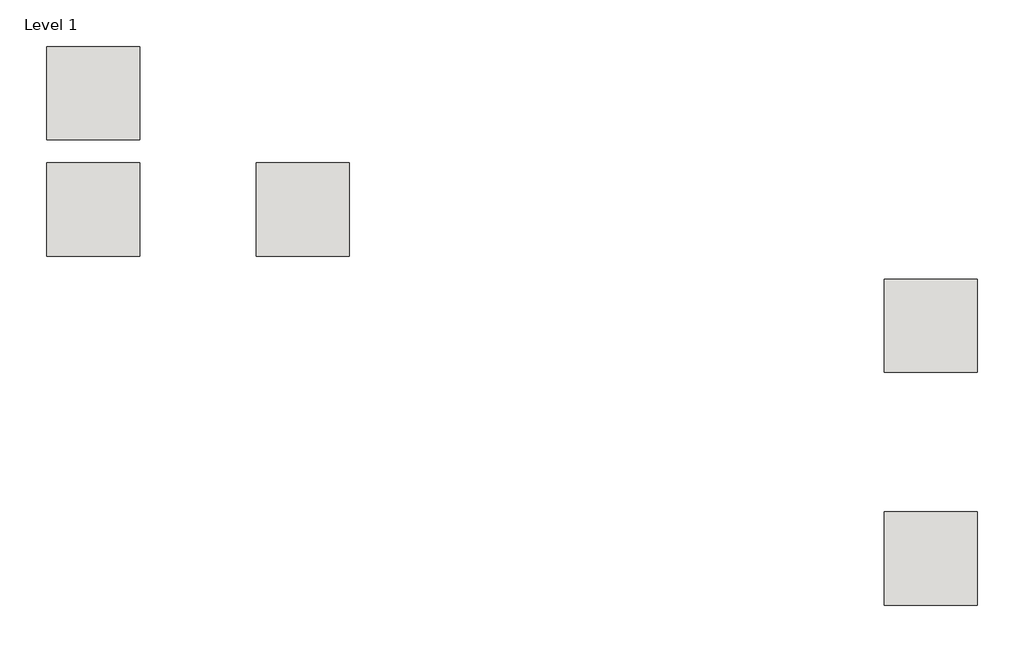
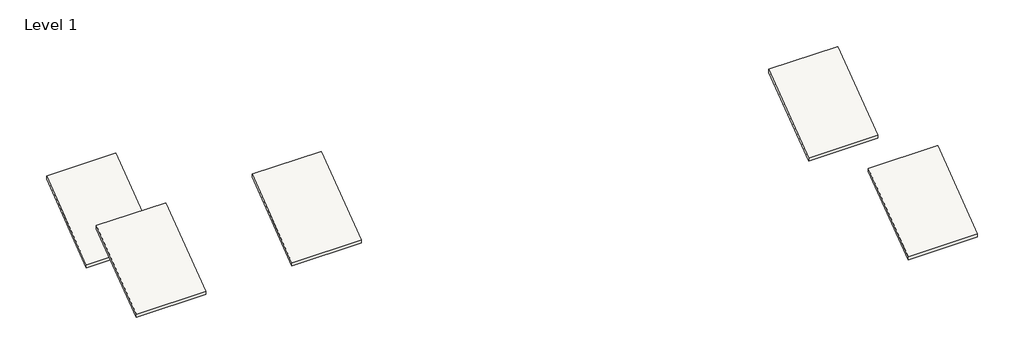
# One storey, part 4 of 10: 5 roofs.
"""IFC4 building model written with IfcOpenShell, lengths in millimetres."""

from ifc_helpers import new_model, si_unit, frame, origin, place, context, project, spatial, polyline, outline, extrude, element, save

model = new_model("IFC4")

# Units and contexts
model_context = context("Model", 3, world=origin())
ifc_project = project(units=[si_unit("LENGTHUNIT", "METRE", prefix="MILLI")], contexts=[model_context])

# Site, building, storey
site = spatial("IfcSite", under=ifc_project)
building = spatial("IfcBuilding", under=site)
storey = spatial("IfcBuildingStorey", under=building, Name="Level 1", Elevation=0.0)

# Roofs
placement = place(None, origin())
element("IfcRoof", 1, at=placement, inside=storey, context=model_context, shape_type="SweptSolid", body=[
    extrude(outline(polyline([(169013.0242732, -45942.0854012), (175109.0242732, -41370.0854012), (175109.0242732, -41655.8354012), (169013.0242732, -46227.8354012), (169013.0242732, -45942.0854012)])), frame((94103.5288668, 0.0, 0.0), z_axis=(1.0, 0.0, 0.0), x_axis=(0.0, 1.0, 0.0)), (0.0, 0.0, 1.0), 6096.0),
])
element("IfcRoof", 2, at=placement, inside=storey, context=model_context, shape_type="SweptSolid", body=[
    extrude(outline(polyline([(184253.0242732, -45942.0854012), (190349.0242732, -41370.0854012), (190349.0242732, -41655.8354012), (184253.0242732, -46227.8354012), (184253.0242732, -45942.0854012)])), frame((94103.5288668, 0.0, 0.0), z_axis=(1.0, 0.0, 0.0), x_axis=(0.0, 1.0, 0.0)), (0.0, 0.0, 1.0), 6096.0),
])
element("IfcRoof", 3, at=placement, inside=storey, context=model_context, shape_type="SweptSolid", body=[
    extrude(outline(polyline([(191873.0242732, -45942.0854012), (197969.0242732, -41370.0854012), (197969.0242732, -41655.8354012), (191873.0242732, -46227.8354012), (191873.0242732, -45942.0854012)])), frame((39239.5288668, 0.0, 0.0), z_axis=(1.0, 0.0, 0.0), x_axis=(0.0, 1.0, 0.0)), (0.0, 0.0, 1.0), 6096.0),
])
element("IfcRoof", 4, at=placement, inside=storey, context=model_context, shape_type="SweptSolid", body=[
    extrude(outline(polyline([(191873.0242732, -45942.0854012), (197969.0242732, -41370.0854012), (197969.0242732, -41655.8354012), (191873.0242732, -46227.8354012), (191873.0242732, -45942.0854012)])), frame((52955.5288668, 0.0, 0.0), z_axis=(1.0, 0.0, 0.0), x_axis=(0.0, 1.0, 0.0)), (0.0, 0.0, 1.0), 6096.0),
])
element("IfcRoof", 5, at=placement, inside=storey, context=model_context, shape_type="SweptSolid", body=[
    extrude(outline(polyline([(199493.0242732, -45942.0854012), (205589.0242732, -41370.0854012), (205589.0242732, -41655.8354012), (199493.0242732, -46227.8354012), (199493.0242732, -45942.0854012)])), frame((39239.5288668, 0.0, 0.0), z_axis=(1.0, 0.0, 0.0), x_axis=(0.0, 1.0, 0.0)), (0.0, 0.0, 1.0), 6096.0),
])

save(model, "model.ifc")
